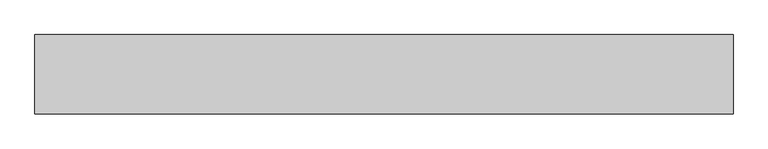
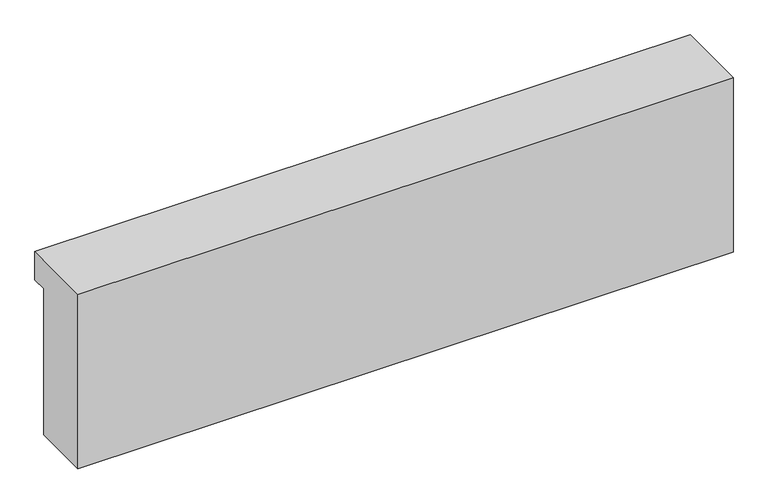
"""IFC4 building model written with IfcOpenShell, lengths in millimetres: fastener geometry."""

from ifc_helpers import new_model, si_unit, frame, origin, place, context, project, spatial, polyline, outline, extrude, source, transform, mapped, element, save


def fastener_9edd0a22(model_context):
    return source(origin(), model_context, "Body", "SweptSolid", [
        extrude(outline(polyline([(9151.1979011, 7060.0), (8951.1979011, 7060.0), (8951.1979011, 7680.0), (9201.1979011, 7680.0), (9201.1979011, 7580.0), (9151.1979011, 7580.0), (9151.1979011, 7060.0)])), frame((1432.0511192, 0.0, 0.0), z_axis=(1.0, 0.0, 0.0), x_axis=(0.0, 1.0, 0.0)), (0.0, 0.0, 1.0), 2200.0),
    ])


if __name__ == "__main__":
    model = new_model("IFC4")
    model_context = context("Model", 3, world=origin())
    ifc_project = project(units=[si_unit("LENGTHUNIT", "METRE", prefix="MILLI")], contexts=[model_context])
    site = spatial("IfcSite", under=ifc_project)
    building = spatial("IfcBuilding", under=site)
    placement = place(None, origin())
    fastener_shape = fastener_9edd0a22(model_context)
    element("IfcFastener", 1, at=placement, inside=building, context=model_context, shape_type="MappedRepresentation", body=[
        mapped(fastener_shape, transform((0.0, 0.0, 0.0), x_axis=(1.0, 0.0, 0.0), y_axis=(0.0, 1.0, 0.0), z_axis=(0.0, 0.0, 1.0))),
    ])
    save(model, "model.ifc")
